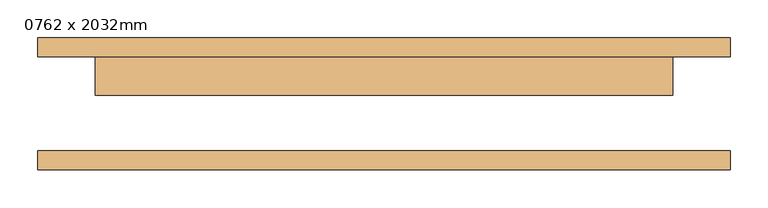
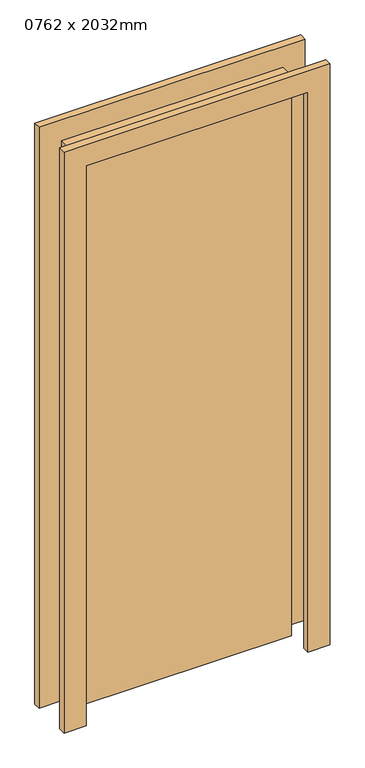
"""IFC4 building model written with IfcOpenShell, lengths in millimetres: door geometry, 0762 x 2032mm."""

from ifc_helpers import new_model, si_unit, frame, origin, origin_with_axes, place, context, project, spatial, polyline, outline, extrude, source, transform, mapped, element, save


def door_0762_x_2032mm_e53dc8c7(model_context):
    return source(origin(), model_context, "Body", "SweptSolid", [
        extrude(outline(polyline([(2108.0, -457.0), (0.0, -457.0), (0.0, -381.0), (2032.0, -381.0), (2032.0, 381.0), (0.0, 381.0), (0.0, 457.0), (2108.0, 457.0), (2108.0, -457.0)])), frame((0.0, 62.0, 0.0), z_axis=(0.0, 1.0, 0.0), x_axis=(0.0, 0.0, 1.0)), (0.0, 0.0, 1.0), 25.0),
        extrude(outline(polyline([(2108.0, 457.0), (2108.0, -457.0), (0.0, -457.0), (0.0, -381.0), (2032.0, -381.0), (2032.0, 381.0), (0.0, 381.0), (0.0, 457.0), (2108.0, 457.0)])), frame((0.0, -87.0, 0.0), z_axis=(0.0, 1.0, 0.0), x_axis=(0.0, 0.0, 1.0)), (0.0, 0.0, 1.0), 25.0),
        extrude(outline(polyline([(381.0, 11.0), (-381.0, 11.0), (-381.0, 62.0), (381.0, 62.0), (381.0, 11.0)])), origin_with_axes(), (0.0, 0.0, 1.0), 2032.0),
    ])


if __name__ == "__main__":
    model = new_model("IFC4")
    model_context = context("Model", 3, world=origin())
    ifc_project = project(units=[si_unit("LENGTHUNIT", "METRE", prefix="MILLI")], contexts=[model_context])
    site = spatial("IfcSite", under=ifc_project)
    building = spatial("IfcBuilding", under=site)
    placement = place(None, origin())
    door_0762_x_2032mm_shape = door_0762_x_2032mm_e53dc8c7(model_context)
    element("IfcDoor", 1, ObjectType="0762 x 2032mm", at=placement, inside=building, context=model_context, shape_type="MappedRepresentation", body=[
        mapped(door_0762_x_2032mm_shape, transform((0.0, 0.0, 0.0), x_axis=(1.0, 0.0, 0.0), y_axis=(0.0, 1.0, 0.0), z_axis=(0.0, 0.0, 1.0))),
    ])
    save(model, "model.ifc")
